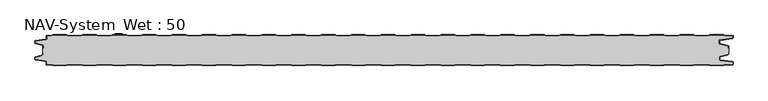
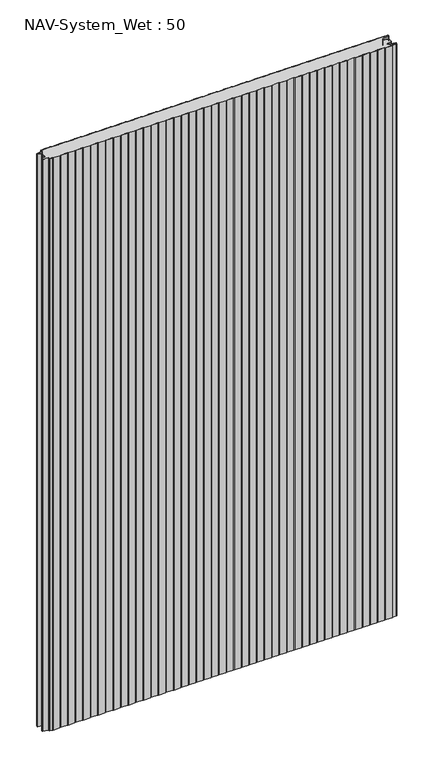
"""IFC4 building model written with IfcOpenShell, lengths in millimetres: plate geometry, NAV-System_Wet : 50."""

from ifc_helpers import new_model, si_unit, point, frame_2d, origin, origin_with_axes, place, context, project, spatial, polyline, circle_curve, trimmed, segment, composite_curve, outline, extrude, source, transform, mapped, element, save


def nav_system_wet_50_2e73ed36(model_context):
    return source(origin(), model_context, "Body", "SweptSolid", [
        extrude(outline(composite_curve([segment(polyline([(430.3684327, -0.8), (427.3684327, 0.2), (405.3684327, 0.2), (402.3684327, -0.8), (380.3684327, -0.8), (377.3684327, 0.2), (355.3684327, 0.2), (352.3684327, -0.8), (330.3684327, -0.8), (327.3684327, 0.2), (305.3684327, 0.2), (302.3684327, -0.8), (280.3684327, -0.8), (277.3684327, 0.2), (255.3684327, 0.2), (252.3684327, -0.8), (230.3684327, -0.8), (227.3684327, 0.2), (205.3684327, 0.2), (202.3684327, -0.8), (180.3684327, -0.8), (177.3684327, 0.2), (155.3684327, 0.2), (152.3684327, -0.8), (130.3684327, -0.8), (127.3684327, 0.2), (105.3684327, 0.2), (102.3684327, -0.8), (80.3684327, -0.8), (77.3684327, 0.2), (55.3684327, 0.2), (52.3684327, -0.8), (30.3684327, -0.8), (27.3684327, 0.2), (5.3684327, 0.2), (2.3684327, -0.8), (-19.6315673, -0.8), (-22.6315673, 0.2), (-44.6315673, 0.2), (-47.6315673, -0.8), (-69.6315673, -0.8), (-72.6315673, 0.2), (-94.6315673, 0.2), (-97.6315673, -0.8), (-119.6315673, -0.8), (-122.6315673, 0.2), (-144.6315673, 0.2), (-147.6315673, -0.8), (-169.6315673, -0.8), (-172.6315673, 0.2), (-194.6315673, 0.2), (-197.6315673, -0.8), (-219.6315673, -0.8), (-222.6315673, 0.2), (-244.6315673, 0.2), (-247.6315673, -0.8), (-269.6315673, -0.8), (-272.6315673, 0.2), (-294.6315673, 0.2), (-297.6315673, -0.8), (-319.6315673, -0.8), (-322.6315673, 0.2), (-344.6315673, 0.2), (-347.6315673, -0.8), (-369.6315673, -0.8), (-372.6315673, 0.2), (-394.6315673, 0.2), (-397.6315673, -0.8), (-419.6315673, -0.8), (-422.6315673, 0.2), (-444.6315673, 0.2), (-447.6315673, -0.8), (-469.6315673, -0.8), (-472.6315673, 0.2), (-494.6315673, 0.2), (-497.6315673, -0.8), (-519.6315673, -0.8), (-522.6315673, 0.2), (-544.6315673, 0.2), (-547.6315673, -0.8), (-554.7, -0.8)]), True, "CONTINUOUS"), segment(trimmed(circle_curve(frame_2d((-554.7, -1.3)), 0.5), [point((-554.7, -0.8))], [point((-555.2, -1.3))], True, "CARTESIAN"), True, "CONTINUOUS"), segment(polyline([(-555.2, -1.3), (-555.2, -5.3964683)]), True, "CONTINUOUS"), segment(trimmed(circle_curve(frame_2d((-556.7, -5.3964683)), 1.5), [point((-555.2, -5.3964683))], [point((-556.4911207, -6.8818536))], False, "CARTESIAN"), True, "CONTINUOUS"), segment(polyline([(-556.4911207, -6.8818536), (-573.4352183, -9.2645825)]), True, "CONTINUOUS"), segment(trimmed(circle_curve(frame_2d((-573.3114909, -10.1444347)), 0.8885091), [point((-573.4352183, -9.2645825))], [point((-574.2, -10.1444347))], True, "CARTESIAN"), True, "CONTINUOUS"), segment(polyline([(-574.2, -10.1444347), (-574.2, -12.46995)]), True, "CONTINUOUS"), segment(trimmed(circle_curve(frame_2d((-573.6, -12.46995)), 0.6), [point((-574.2, -12.46995))], [point((-573.7552914, -13.0495055))], True, "CARTESIAN"), True, "CONTINUOUS"), segment(polyline([(-573.7552914, -13.0495055), (-562.3785632, -16.0978907)]), True, "CONTINUOUS"), segment(trimmed(circle_curve(frame_2d((-562.7667917, -17.5467794)), 1.5), [point((-562.3785632, -16.0978907))], [point((-561.2667917, -17.5467794))], False, "CARTESIAN"), True, "CONTINUOUS"), segment(polyline([(-561.2667917, -17.5467794), (-561.2667917, -21.0096505), (-562.0667917, -21.0096505), (-562.0667917, -17.5467794)]), True, "CONTINUOUS"), segment(trimmed(circle_curve(frame_2d((-562.7667917, -17.5467794)), 0.7), [point((-562.0667917, -17.5467794))], [point((-562.5856184, -16.8706313))], True, "CARTESIAN"), True, "CONTINUOUS"), segment(polyline([(-562.5856184, -16.8706313), (-574.0364648, -13.8023863)]), True, "CONTINUOUS"), segment(trimmed(circle_curve(frame_2d((-573.7, -12.5466827)), 1.3), [point((-574.0364648, -13.8023863))], [point((-575.0, -12.5466827))], False, "CARTESIAN"), True, "CONTINUOUS"), segment(polyline([(-575.0, -12.5466827), (-575.0, -9.8067363)]), True, "CONTINUOUS"), segment(trimmed(circle_curve(frame_2d((-573.7, -9.8067363)), 1.3), [point((-575.0, -9.8067363))], [point((-573.8810287, -8.5194024))], False, "CARTESIAN"), True, "CONTINUOUS"), segment(polyline([(-573.8810287, -8.5194024), (-556.602523, -6.0896481)]), True, "CONTINUOUS"), segment(trimmed(circle_curve(frame_2d((-556.7, -5.3964683)), 0.7), [point((-556.602523, -6.0896481))], [point((-556.0, -5.3964683))], True, "CARTESIAN"), True, "CONTINUOUS"), segment(polyline([(-556.0, -5.3964683), (-556.0, -1.3)]), True, "CONTINUOUS"), segment(trimmed(circle_curve(frame_2d((-554.7, -1.3)), 1.3), [point((-556.0, -1.3))], [point((-554.7, 0.0))], False, "CARTESIAN"), True, "CONTINUOUS"), segment(polyline([(-554.7, 0.0), (-547.7613895, 0.0), (-544.7613895, 1.0), (-522.5017452, 1.0), (-519.5017452, 0.0), (-497.7613895, 0.0), (-494.7613895, 1.0), (-472.5017452, 1.0), (-469.5017452, 0.0), (-447.7613895, 0.0), (-444.7613895, 1.0), (-422.5017452, 1.0), (-419.5017452, 0.0), (-397.7613895, 0.0), (-394.7613895, 1.0), (-372.5017452, 1.0), (-369.5017452, 0.0), (-347.7613895, 0.0), (-344.7613895, 1.0), (-322.5017452, 1.0), (-319.5017452, 0.0), (-297.7613895, 0.0), (-294.7613895, 1.0), (-272.5017452, 1.0), (-269.5017452, 0.0), (-247.7613895, 0.0), (-244.7613895, 1.0), (-222.5017452, 1.0), (-219.5017452, 0.0), (-197.7613895, 0.0), (-194.7613895, 1.0), (-172.5017452, 1.0), (-169.5017452, 0.0), (-147.7613895, 0.0), (-144.7613895, 1.0), (-122.5017452, 1.0), (-119.5017452, 0.0), (-97.7613895, 0.0), (-94.7613895, 1.0), (-72.5017452, 1.0), (-69.5017452, 0.0), (-47.7613895, 0.0), (-44.7613895, 1.0), (-22.5017452, 1.0), (-19.5017452, 0.0), (2.2386105, 0.0), (5.2386105, 1.0), (27.4982548, 1.0), (30.4982548, 0.0), (52.2386105, 0.0), (55.2386105, 1.0), (77.4982548, 1.0), (80.4982548, 0.0), (102.2386105, 0.0), (105.2386105, 1.0), (127.4982548, 1.0), (130.4982548, 0.0), (152.2386105, 0.0), (155.2386105, 1.0), (177.4982548, 1.0), (180.4982548, 0.0), (202.2386105, 0.0), (205.2386105, 1.0), (227.4982548, 1.0), (230.4982548, 0.0), (252.2386105, 0.0), (255.2386105, 1.0), (277.4982548, 1.0), (280.4982548, 0.0), (302.2386105, 0.0), (305.2386105, 1.0), (327.4982548, 1.0), (330.4982548, 0.0), (352.2386105, 0.0), (355.2386105, 1.0), (377.4982548, 1.0), (380.4982548, 0.0), (402.2386105, 0.0), (405.2386105, 1.0), (427.4982548, 1.0), (430.4982548, 0.0), (452.2386105, 0.0), (455.2386105, 1.0), (477.4982548, 1.0), (480.4982548, 0.0), (502.2386105, 0.0), (505.2386105, 1.0), (527.4982548, 1.0), (530.4982548, 0.0), (552.2386105, 0.0), (555.2386105, 1.0), (577.4982548, 1.0), (580.4982548, 0.0), (592.7, 0.0)]), True, "CONTINUOUS"), segment(trimmed(circle_curve(frame_2d((592.7, -1.3)), 1.3), [point((592.7, 0.0))], [point((594.0, -1.3))], False, "CARTESIAN"), True, "CONTINUOUS"), segment(polyline([(594.0, -1.3), (594.0, -4.3700191)]), True, "CONTINUOUS"), segment(trimmed(circle_curve(frame_2d((592.7, -4.3700191)), 1.3), [point((594.0, -4.3700191))], [point((592.8810287, -5.657353))], False, "CARTESIAN"), True, "CONTINUOUS"), segment(polyline([(592.8810287, -5.657353), (572.102523, -8.5792877)]), True, "CONTINUOUS"), segment(trimmed(circle_curve(frame_2d((572.2, -9.2724675)), 0.7), [point((572.102523, -8.5792877))], [point((571.5, -9.2724675))], True, "CARTESIAN"), True, "CONTINUOUS"), segment(polyline([(571.5, -9.2724675), (571.5, -13.0812756)]), True, "CONTINUOUS"), segment(trimmed(circle_curve(frame_2d((572.2, -13.0812756)), 0.7), [point((571.5, -13.0812756))], [point((572.0188267, -13.7574237))], True, "CARTESIAN"), True, "CONTINUOUS"), segment(polyline([(572.0188267, -13.7574237), (585.4205101, -17.3483939)]), True, "CONTINUOUS"), segment(trimmed(circle_curve(frame_2d((585.0840453, -18.6040975)), 1.3), [point((585.4205101, -17.3483939))], [point((586.3840453, -18.6040975))], False, "CARTESIAN"), True, "CONTINUOUS"), segment(polyline([(586.3840453, -18.6040975), (586.3840453, -21.0096505), (585.5840453, -21.0096505), (585.5840453, -18.6808302)]), True, "CONTINUOUS"), segment(trimmed(circle_curve(frame_2d((584.9840453, -18.6808302)), 0.6), [point((585.5840453, -18.6808302))], [point((585.1393367, -18.1012747))], True, "CARTESIAN"), True, "CONTINUOUS"), segment(polyline([(585.1393367, -18.1012747), (571.8117714, -14.5301644)]), True, "CONTINUOUS"), segment(trimmed(circle_curve(frame_2d((572.2, -13.0812756)), 1.5), [point((571.8117714, -14.5301644))], [point((570.7, -13.0812756))], False, "CARTESIAN"), True, "CONTINUOUS"), segment(polyline([(570.7, -13.0812756), (570.7, -9.2724675)]), True, "CONTINUOUS"), segment(trimmed(circle_curve(frame_2d((572.2, -9.2724675)), 1.5), [point((570.7, -9.2724675))], [point((571.9911207, -7.7870822))], False, "CARTESIAN"), True, "CONTINUOUS"), segment(polyline([(571.9911207, -7.7870822), (592.6835517, -4.8772516)]), True, "CONTINUOUS"), segment(trimmed(circle_curve(frame_2d((592.6, -4.2830975)), 0.6), [point((592.6835517, -4.8772516))], [point((593.2, -4.2830975))], True, "CARTESIAN"), True, "CONTINUOUS"), segment(polyline([(593.2, -4.2830975), (593.2, -1.3)]), True, "CONTINUOUS"), segment(trimmed(circle_curve(frame_2d((592.7, -1.3)), 0.5), [point((593.2, -1.3))], [point((592.7, -0.8))], True, "CARTESIAN"), True, "CONTINUOUS"), segment(polyline([(592.7, -0.8), (580.3684327, -0.8), (577.3684327, 0.2), (555.3684327, 0.2), (552.3684327, -0.8), (530.3684327, -0.8), (527.3684327, 0.2), (505.3684327, 0.2), (502.3684327, -0.8), (480.3684327, -0.8), (477.3684327, 0.2), (455.3684327, 0.2), (452.3684327, -0.8), (430.3684327, -0.8)]), True, "CONTINUOUS")], self_intersect=False)), origin_with_axes(), (0.0, 0.0, 1.0), 2000.0),
        extrude(outline(composite_curve([segment(polyline([(430.3684327, -0.8), (452.3684327, -0.8), (455.3684327, 0.2), (477.3684327, 0.2), (480.3684327, -0.8), (502.3684327, -0.8), (505.3684327, 0.2), (527.3684327, 0.2), (530.3684327, -0.8), (552.3684327, -0.8), (555.3684327, 0.2), (577.3684327, 0.2), (580.3684327, -0.8), (592.7, -0.8)]), True, "CONTINUOUS"), segment(trimmed(circle_curve(frame_2d((592.7, -1.3)), 0.5), [point((592.7, -0.8))], [point((593.2, -1.3))], False, "CARTESIAN"), True, "CONTINUOUS"), segment(polyline([(593.2, -1.3), (593.2, -4.2830975)]), True, "CONTINUOUS"), segment(trimmed(circle_curve(frame_2d((592.6, -4.2830975)), 0.6), [point((593.2, -4.2830975))], [point((592.6835517, -4.8772516))], False, "CARTESIAN"), True, "CONTINUOUS"), segment(polyline([(592.6835517, -4.8772516), (571.9911207, -7.7870822)]), True, "CONTINUOUS"), segment(trimmed(circle_curve(frame_2d((572.2, -9.2724675)), 1.5), [point((571.9911207, -7.7870822))], [point((570.7, -9.2724675))], True, "CARTESIAN"), True, "CONTINUOUS"), segment(polyline([(570.7, -9.2724675), (570.7, -13.0812756)]), True, "CONTINUOUS"), segment(trimmed(circle_curve(frame_2d((572.2, -13.0812756)), 1.5), [point((570.7, -13.0812756))], [point((571.8117714, -14.5301644))], True, "CARTESIAN"), True, "CONTINUOUS"), segment(polyline([(571.8117714, -14.5301644), (585.1393367, -18.1012747)]), True, "CONTINUOUS"), segment(trimmed(circle_curve(frame_2d((584.9840453, -18.6808302)), 0.6), [point((585.1393367, -18.1012747))], [point((585.5840453, -18.6808302))], False, "CARTESIAN"), True, "CONTINUOUS"), segment(polyline([(585.5840453, -18.6808302), (585.5840453, -21.0096505), (586.3840453, -21.0096505), (586.3840453, -28.9903495), (585.5840453, -28.9903495), (585.5840453, -31.3191698)]), True, "CONTINUOUS"), segment(trimmed(circle_curve(frame_2d((584.9840453, -31.3191698)), 0.6), [point((585.5840453, -31.3191698))], [point((585.1393367, -31.8987253))], False, "CARTESIAN"), True, "CONTINUOUS"), segment(polyline([(585.1393367, -31.8987253), (571.8117714, -35.4698356)]), True, "CONTINUOUS"), segment(trimmed(circle_curve(frame_2d((572.2, -36.9187244)), 1.5), [point((571.8117714, -35.4698356))], [point((570.7, -36.9187244))], True, "CARTESIAN"), True, "CONTINUOUS"), segment(polyline([(570.7, -36.9187244), (570.7, -40.7275325)]), True, "CONTINUOUS"), segment(trimmed(circle_curve(frame_2d((572.2, -40.7275325)), 1.5), [point((570.7, -40.7275325))], [point((571.9911207, -42.2129178))], True, "CARTESIAN"), True, "CONTINUOUS"), segment(polyline([(571.9911207, -42.2129178), (592.6835517, -45.1227484)]), True, "CONTINUOUS"), segment(trimmed(circle_curve(frame_2d((592.6, -45.7169025)), 0.6), [point((592.6835517, -45.1227484))], [point((593.2, -45.7169025))], False, "CARTESIAN"), True, "CONTINUOUS"), segment(polyline([(593.2, -45.7169025), (593.2, -48.7)]), True, "CONTINUOUS"), segment(trimmed(circle_curve(frame_2d((592.7, -48.7)), 0.5), [point((593.2, -48.7))], [point((592.7, -49.2))], False, "CARTESIAN"), True, "CONTINUOUS"), segment(polyline([(592.7, -49.2), (580.3684327, -49.2), (577.3684327, -50.2), (555.3684327, -50.2), (552.3684327, -49.2), (530.3684327, -49.2), (527.3684327, -50.2), (505.3684327, -50.2), (502.3684327, -49.2), (480.3684327, -49.2), (477.3684327, -50.2), (455.3684327, -50.2), (452.3684327, -49.2), (430.3684327, -49.2), (427.3684327, -50.2), (405.3684327, -50.2), (402.3684327, -49.2), (380.3684327, -49.2), (377.3684327, -50.2), (355.3684327, -50.2), (352.3684327, -49.2), (330.3684327, -49.2), (327.3684327, -50.2), (305.3684327, -50.2), (302.3684327, -49.2), (280.3684327, -49.2), (277.3684327, -50.2), (255.3684327, -50.2), (252.3684327, -49.2), (230.3684327, -49.2), (227.3684327, -50.2), (205.3684327, -50.2), (202.3684327, -49.2), (180.3684327, -49.2), (177.3684327, -50.2), (155.3684327, -50.2), (152.3684327, -49.2), (130.3684327, -49.2), (127.3684327, -50.2), (105.3684327, -50.2), (102.3684327, -49.2), (80.3684327, -49.2), (77.3684327, -50.2), (55.3684327, -50.2), (52.3684327, -49.2), (30.3684327, -49.2), (27.3684327, -50.2), (5.3684327, -50.2), (2.3684327, -49.2), (-19.6315673, -49.2), (-22.6315673, -50.2), (-44.6315673, -50.2), (-47.6315673, -49.2), (-69.6315673, -49.2), (-72.6315673, -50.2), (-94.6315673, -50.2), (-97.6315673, -49.2), (-119.6315673, -49.2), (-122.6315673, -50.2), (-144.6315673, -50.2), (-147.6315673, -49.2), (-169.6315673, -49.2), (-172.6315673, -50.2), (-194.6315673, -50.2), (-197.6315673, -49.2), (-219.6315673, -49.2), (-222.6315673, -50.2), (-244.6315673, -50.2), (-247.6315673, -49.2), (-269.6315673, -49.2), (-272.6315673, -50.2), (-294.6315673, -50.2), (-297.6315673, -49.2), (-319.6315673, -49.2), (-322.6315673, -50.2), (-344.6315673, -50.2), (-347.6315673, -49.2), (-369.6315673, -49.2), (-372.6315673, -50.2), (-394.6315673, -50.2), (-397.6315673, -49.2), (-419.6315673, -49.2), (-422.6315673, -50.2), (-444.6315673, -50.2), (-447.6315673, -49.2), (-469.6315673, -49.2), (-472.6315673, -50.2), (-494.6315673, -50.2), (-497.6315673, -49.2), (-519.6315673, -49.2), (-522.6315673, -50.2), (-544.6315673, -50.2), (-547.6315673, -49.2), (-554.7, -49.2)]), True, "CONTINUOUS"), segment(trimmed(circle_curve(frame_2d((-554.7, -48.7)), 0.5), [point((-554.7, -49.2))], [point((-555.2, -48.7))], False, "CARTESIAN"), True, "CONTINUOUS"), segment(polyline([(-555.2, -48.7), (-555.2, -44.6035317)]), True, "CONTINUOUS"), segment(trimmed(circle_curve(frame_2d((-556.7, -44.6035317)), 1.5), [point((-555.2, -44.6035317))], [point((-556.4911207, -43.1181464))], True, "CARTESIAN"), True, "CONTINUOUS"), segment(polyline([(-556.4911207, -43.1181464), (-573.4352183, -40.7354175)]), True, "CONTINUOUS"), segment(trimmed(circle_curve(frame_2d((-573.3114909, -39.8555653)), 0.8885091), [point((-573.4352183, -40.7354175))], [point((-574.2, -39.8555653))], False, "CARTESIAN"), True, "CONTINUOUS"), segment(polyline([(-574.2, -39.8555653), (-574.2, -37.53005)]), True, "CONTINUOUS"), segment(trimmed(circle_curve(frame_2d((-573.6, -37.53005)), 0.6), [point((-574.2, -37.53005))], [point((-573.7552914, -36.9504945))], False, "CARTESIAN"), True, "CONTINUOUS"), segment(polyline([(-573.7552914, -36.9504945), (-562.3785632, -33.9021093)]), True, "CONTINUOUS"), segment(trimmed(circle_curve(frame_2d((-562.7667917, -32.4532206)), 1.5), [point((-562.3785632, -33.9021093))], [point((-561.2667917, -32.4532206))], True, "CARTESIAN"), True, "CONTINUOUS"), segment(polyline([(-561.2667917, -32.4532206), (-561.2667917, -28.9903495), (-562.0667917, -28.9903495), (-562.0667917, -21.0096505), (-561.2667917, -21.0096505), (-561.2667917, -17.5467794)]), True, "CONTINUOUS"), segment(trimmed(circle_curve(frame_2d((-562.7667917, -17.5467794)), 1.5), [point((-561.2667917, -17.5467794))], [point((-562.3785632, -16.0978907))], True, "CARTESIAN"), True, "CONTINUOUS"), segment(polyline([(-562.3785632, -16.0978907), (-573.7552914, -13.0495055)]), True, "CONTINUOUS"), segment(trimmed(circle_curve(frame_2d((-573.6, -12.46995)), 0.6), [point((-573.7552914, -13.0495055))], [point((-574.2, -12.46995))], False, "CARTESIAN"), True, "CONTINUOUS"), segment(polyline([(-574.2, -12.46995), (-574.2, -10.1444347)]), True, "CONTINUOUS"), segment(trimmed(circle_curve(frame_2d((-573.3114909, -10.1444347)), 0.8885091), [point((-574.2, -10.1444347))], [point((-573.4352183, -9.2645825))], False, "CARTESIAN"), True, "CONTINUOUS"), segment(polyline([(-573.4352183, -9.2645825), (-556.4911207, -6.8818536)]), True, "CONTINUOUS"), segment(trimmed(circle_curve(frame_2d((-556.7, -5.3964683)), 1.5), [point((-556.4911207, -6.8818536))], [point((-555.2, -5.3964683))], True, "CARTESIAN"), True, "CONTINUOUS"), segment(polyline([(-555.2, -5.3964683), (-555.2, -1.3)]), True, "CONTINUOUS"), segment(trimmed(circle_curve(frame_2d((-554.7, -1.3)), 0.5), [point((-555.2, -1.3))], [point((-554.7, -0.8))], False, "CARTESIAN"), True, "CONTINUOUS"), segment(polyline([(-554.7, -0.8), (-547.6315673, -0.8), (-544.6315673, 0.2), (-522.6315673, 0.2), (-519.6315673, -0.8), (-497.6315673, -0.8), (-494.6315673, 0.2), (-472.6315673, 0.2), (-469.6315673, -0.8), (-447.6315673, -0.8), (-444.6315673, 0.2), (-422.6315673, 0.2), (-419.6315673, -0.8), (-397.6315673, -0.8), (-394.6315673, 0.2), (-372.6315673, 0.2), (-369.6315673, -0.8), (-347.6315673, -0.8), (-344.6315673, 0.2), (-322.6315673, 0.2), (-319.6315673, -0.8), (-297.6315673, -0.8), (-294.6315673, 0.2), (-272.6315673, 0.2), (-269.6315673, -0.8), (-247.6315673, -0.8), (-244.6315673, 0.2), (-222.6315673, 0.2), (-219.6315673, -0.8), (-197.6315673, -0.8), (-194.6315673, 0.2), (-172.6315673, 0.2), (-169.6315673, -0.8), (-147.6315673, -0.8), (-144.6315673, 0.2), (-122.6315673, 0.2), (-119.6315673, -0.8), (-97.6315673, -0.8), (-94.6315673, 0.2), (-72.6315673, 0.2), (-69.6315673, -0.8), (-47.6315673, -0.8), (-44.6315673, 0.2), (-22.6315673, 0.2), (-19.6315673, -0.8), (2.3684327, -0.8), (5.3684327, 0.2), (27.3684327, 0.2), (30.3684327, -0.8), (52.3684327, -0.8), (55.3684327, 0.2), (77.3684327, 0.2), (80.3684327, -0.8), (102.3684327, -0.8), (105.3684327, 0.2), (127.3684327, 0.2), (130.3684327, -0.8), (152.3684327, -0.8), (155.3684327, 0.2), (177.3684327, 0.2), (180.3684327, -0.8), (202.3684327, -0.8), (205.3684327, 0.2), (227.3684327, 0.2), (230.3684327, -0.8), (252.3684327, -0.8), (255.3684327, 0.2), (277.3684327, 0.2), (280.3684327, -0.8), (302.3684327, -0.8), (305.3684327, 0.2), (327.3684327, 0.2), (330.3684327, -0.8), (352.3684327, -0.8), (355.3684327, 0.2), (377.3684327, 0.2), (380.3684327, -0.8), (402.3684327, -0.8), (405.3684327, 0.2), (427.3684327, 0.2), (430.3684327, -0.8)]), True, "CONTINUOUS")], self_intersect=False)), origin_with_axes(), (0.0, 0.0, 1.0), 2000.0),
        extrude(outline(composite_curve([segment(polyline([(430.3684327, -49.2), (452.3684327, -49.2), (455.3684327, -50.2), (477.3684327, -50.2), (480.3684327, -49.2), (502.3684327, -49.2), (505.3684327, -50.2), (527.3684327, -50.2), (530.3684327, -49.2), (552.3684327, -49.2), (555.3684327, -50.2), (577.3684327, -50.2), (580.3684327, -49.2), (592.7, -49.2)]), True, "CONTINUOUS"), segment(trimmed(circle_curve(frame_2d((592.7, -48.7)), 0.5), [point((592.7, -49.2))], [point((593.2, -48.7))], True, "CARTESIAN"), True, "CONTINUOUS"), segment(polyline([(593.2, -48.7), (593.2, -45.7169025)]), True, "CONTINUOUS"), segment(trimmed(circle_curve(frame_2d((592.6, -45.7169025)), 0.6), [point((593.2, -45.7169025))], [point((592.6835517, -45.1227484))], True, "CARTESIAN"), True, "CONTINUOUS"), segment(polyline([(592.6835517, -45.1227484), (571.9911207, -42.2129178)]), True, "CONTINUOUS"), segment(trimmed(circle_curve(frame_2d((572.2, -40.7275325)), 1.5), [point((571.9911207, -42.2129178))], [point((570.7, -40.7275325))], False, "CARTESIAN"), True, "CONTINUOUS"), segment(polyline([(570.7, -40.7275325), (570.7, -36.9187244)]), True, "CONTINUOUS"), segment(trimmed(circle_curve(frame_2d((572.2, -36.9187244)), 1.5), [point((570.7, -36.9187244))], [point((571.8117714, -35.4698356))], False, "CARTESIAN"), True, "CONTINUOUS"), segment(polyline([(571.8117714, -35.4698356), (585.1393367, -31.8987253)]), True, "CONTINUOUS"), segment(trimmed(circle_curve(frame_2d((584.9840453, -31.3191698)), 0.6), [point((585.1393367, -31.8987253))], [point((585.5840453, -31.3191698))], True, "CARTESIAN"), True, "CONTINUOUS"), segment(polyline([(585.5840453, -31.3191698), (585.5840453, -28.9903495), (586.3840453, -28.9903495), (586.3840453, -31.3959025)]), True, "CONTINUOUS"), segment(trimmed(circle_curve(frame_2d((585.0840453, -31.3959025)), 1.3), [point((586.3840453, -31.3959025))], [point((585.4205101, -32.6516061))], False, "CARTESIAN"), True, "CONTINUOUS"), segment(polyline([(585.4205101, -32.6516061), (572.0188267, -36.2425763)]), True, "CONTINUOUS"), segment(trimmed(circle_curve(frame_2d((572.2, -36.9187244)), 0.7), [point((572.0188267, -36.2425763))], [point((571.5, -36.9187244))], True, "CARTESIAN"), True, "CONTINUOUS"), segment(polyline([(571.5, -36.9187244), (571.5, -40.7275325)]), True, "CONTINUOUS"), segment(trimmed(circle_curve(frame_2d((572.2, -40.7275325)), 0.7), [point((571.5, -40.7275325))], [point((572.102523, -41.4207123))], True, "CARTESIAN"), True, "CONTINUOUS"), segment(polyline([(572.102523, -41.4207123), (592.8810287, -44.342647)]), True, "CONTINUOUS"), segment(trimmed(circle_curve(frame_2d((592.7, -45.6299809)), 1.3), [point((592.8810287, -44.342647))], [point((594.0, -45.6299809))], False, "CARTESIAN"), True, "CONTINUOUS"), segment(polyline([(594.0, -45.6299809), (594.0, -48.7)]), True, "CONTINUOUS"), segment(trimmed(circle_curve(frame_2d((592.7, -48.7)), 1.3), [point((594.0, -48.7))], [point((592.7, -50.0))], False, "CARTESIAN"), True, "CONTINUOUS"), segment(polyline([(592.7, -50.0), (580.4982548, -50.0), (577.4982548, -51.0), (555.2386105, -51.0), (552.2386105, -50.0), (530.4982548, -50.0), (527.4982548, -51.0), (505.2386105, -51.0), (502.2386105, -50.0), (480.4982548, -50.0), (477.4982548, -51.0), (455.2386105, -51.0), (452.2386105, -50.0), (430.4982548, -50.0), (427.4982548, -51.0), (405.2386105, -51.0), (402.2386105, -50.0), (380.4982548, -50.0), (377.4982548, -51.0), (355.2386105, -51.0), (352.2386105, -50.0), (330.4982548, -50.0), (327.4982548, -51.0), (305.2386105, -51.0), (302.2386105, -50.0), (280.4982548, -50.0), (277.4982548, -51.0), (255.2386105, -51.0), (252.2386105, -50.0), (230.4982548, -50.0), (227.4982548, -51.0), (205.2386105, -51.0), (202.2386105, -50.0), (180.4982548, -50.0), (177.4982548, -51.0), (155.2386105, -51.0), (152.2386105, -50.0), (130.4982548, -50.0), (127.4982548, -51.0), (105.2386105, -51.0), (102.2386105, -50.0), (80.4982548, -50.0), (77.4982548, -51.0), (55.2386105, -51.0), (52.2386105, -50.0), (30.4982548, -50.0), (27.4982548, -51.0), (5.2386105, -51.0), (2.2386105, -50.0), (-19.5017452, -50.0), (-22.5017452, -51.0), (-44.7613895, -51.0), (-47.7613895, -50.0), (-69.5017452, -50.0), (-72.5017452, -51.0), (-94.7613895, -51.0), (-97.7613895, -50.0), (-119.5017452, -50.0), (-122.5017452, -51.0), (-144.7613895, -51.0), (-147.7613895, -50.0), (-169.5017452, -50.0), (-172.5017452, -51.0), (-194.7613895, -51.0), (-197.7613895, -50.0), (-219.5017452, -50.0), (-222.5017452, -51.0), (-244.7613895, -51.0), (-247.7613895, -50.0), (-269.5017452, -50.0), (-272.5017452, -51.0), (-294.7613895, -51.0), (-297.7613895, -50.0), (-319.5017452, -50.0), (-322.5017452, -51.0), (-344.7613895, -51.0), (-347.7613895, -50.0), (-369.5017452, -50.0), (-372.5017452, -51.0), (-394.7613895, -51.0), (-397.7613895, -50.0), (-419.5017452, -50.0), (-422.5017452, -51.0), (-444.7613895, -51.0), (-447.7613895, -50.0), (-469.5017452, -50.0), (-472.5017452, -51.0), (-494.7613895, -51.0), (-497.7613895, -50.0), (-519.5017452, -50.0), (-522.5017452, -51.0), (-544.7613895, -51.0), (-547.7613895, -50.0), (-554.7, -50.0)]), True, "CONTINUOUS"), segment(trimmed(circle_curve(frame_2d((-554.7, -48.7)), 1.3), [point((-554.7, -50.0))], [point((-556.0, -48.7))], False, "CARTESIAN"), True, "CONTINUOUS"), segment(polyline([(-556.0, -48.7), (-556.0, -44.6035317)]), True, "CONTINUOUS"), segment(trimmed(circle_curve(frame_2d((-556.7, -44.6035317)), 0.7), [point((-556.0, -44.6035317))], [point((-556.602523, -43.9103519))], True, "CARTESIAN"), True, "CONTINUOUS"), segment(polyline([(-556.602523, -43.9103519), (-573.8810287, -41.4805976)]), True, "CONTINUOUS"), segment(trimmed(circle_curve(frame_2d((-573.7, -40.1932637)), 1.3), [point((-573.8810287, -41.4805976))], [point((-575.0, -40.1932637))], False, "CARTESIAN"), True, "CONTINUOUS"), segment(polyline([(-575.0, -40.1932637), (-575.0, -37.4533173)]), True, "CONTINUOUS"), segment(trimmed(circle_curve(frame_2d((-573.7, -37.4533173)), 1.3), [point((-575.0, -37.4533173))], [point((-574.0364648, -36.1976137))], False, "CARTESIAN"), True, "CONTINUOUS"), segment(polyline([(-574.0364648, -36.1976137), (-562.5856184, -33.1293687)]), True, "CONTINUOUS"), segment(trimmed(circle_curve(frame_2d((-562.7667917, -32.4532206)), 0.7), [point((-562.5856184, -33.1293687))], [point((-562.0667917, -32.4532206))], True, "CARTESIAN"), True, "CONTINUOUS"), segment(polyline([(-562.0667917, -32.4532206), (-562.0667917, -28.9903495), (-561.2667917, -28.9903495), (-561.2667917, -32.4532206)]), True, "CONTINUOUS"), segment(trimmed(circle_curve(frame_2d((-562.7667917, -32.4532206)), 1.5), [point((-561.2667917, -32.4532206))], [point((-562.3785632, -33.9021093))], False, "CARTESIAN"), True, "CONTINUOUS"), segment(polyline([(-562.3785632, -33.9021093), (-573.7552914, -36.9504945)]), True, "CONTINUOUS"), segment(trimmed(circle_curve(frame_2d((-573.6, -37.53005)), 0.6), [point((-573.7552914, -36.9504945))], [point((-574.2, -37.53005))], True, "CARTESIAN"), True, "CONTINUOUS"), segment(polyline([(-574.2, -37.53005), (-574.2, -39.8555653)]), True, "CONTINUOUS"), segment(trimmed(circle_curve(frame_2d((-573.3114909, -39.8555653)), 0.8885091), [point((-574.2, -39.8555653))], [point((-573.4352183, -40.7354175))], True, "CARTESIAN"), True, "CONTINUOUS"), segment(polyline([(-573.4352183, -40.7354175), (-556.4911207, -43.1181464)]), True, "CONTINUOUS"), segment(trimmed(circle_curve(frame_2d((-556.7, -44.6035317)), 1.5), [point((-556.4911207, -43.1181464))], [point((-555.2, -44.6035317))], False, "CARTESIAN"), True, "CONTINUOUS"), segment(polyline([(-555.2, -44.6035317), (-555.2, -48.7)]), True, "CONTINUOUS"), segment(trimmed(circle_curve(frame_2d((-554.7, -48.7)), 0.5), [point((-555.2, -48.7))], [point((-554.7, -49.2))], True, "CARTESIAN"), True, "CONTINUOUS"), segment(polyline([(-554.7, -49.2), (-547.6315673, -49.2), (-544.6315673, -50.2), (-522.6315673, -50.2), (-519.6315673, -49.2), (-497.6315673, -49.2), (-494.6315673, -50.2), (-472.6315673, -50.2), (-469.6315673, -49.2), (-447.6315673, -49.2), (-444.6315673, -50.2), (-422.6315673, -50.2), (-419.6315673, -49.2), (-397.6315673, -49.2), (-394.6315673, -50.2), (-372.6315673, -50.2), (-369.6315673, -49.2), (-347.6315673, -49.2), (-344.6315673, -50.2), (-322.6315673, -50.2), (-319.6315673, -49.2), (-297.6315673, -49.2), (-294.6315673, -50.2), (-272.6315673, -50.2), (-269.6315673, -49.2), (-247.6315673, -49.2), (-244.6315673, -50.2), (-222.6315673, -50.2), (-219.6315673, -49.2), (-197.6315673, -49.2), (-194.6315673, -50.2), (-172.6315673, -50.2), (-169.6315673, -49.2), (-147.6315673, -49.2), (-144.6315673, -50.2), (-122.6315673, -50.2), (-119.6315673, -49.2), (-97.6315673, -49.2), (-94.6315673, -50.2), (-72.6315673, -50.2), (-69.6315673, -49.2), (-47.6315673, -49.2), (-44.6315673, -50.2), (-22.6315673, -50.2), (-19.6315673, -49.2), (2.3684327, -49.2), (5.3684327, -50.2), (27.3684327, -50.2), (30.3684327, -49.2), (52.3684327, -49.2), (55.3684327, -50.2), (77.3684327, -50.2), (80.3684327, -49.2), (102.3684327, -49.2), (105.3684327, -50.2), (127.3684327, -50.2), (130.3684327, -49.2), (152.3684327, -49.2), (155.3684327, -50.2), (177.3684327, -50.2), (180.3684327, -49.2), (202.3684327, -49.2), (205.3684327, -50.2), (227.3684327, -50.2), (230.3684327, -49.2), (252.3684327, -49.2), (255.3684327, -50.2), (277.3684327, -50.2), (280.3684327, -49.2), (302.3684327, -49.2), (305.3684327, -50.2), (327.3684327, -50.2), (330.3684327, -49.2), (352.3684327, -49.2), (355.3684327, -50.2), (377.3684327, -50.2), (380.3684327, -49.2), (402.3684327, -49.2), (405.3684327, -50.2), (427.3684327, -50.2), (430.3684327, -49.2)]), True, "CONTINUOUS")], self_intersect=False)), origin_with_axes(), (0.0, 0.0, 1.0), 2000.0),
    ])


if __name__ == "__main__":
    model = new_model("IFC4")
    model_context = context("Model", 3, world=origin())
    ifc_project = project(units=[si_unit("LENGTHUNIT", "METRE", prefix="MILLI")], contexts=[model_context])
    site = spatial("IfcSite", under=ifc_project)
    building = spatial("IfcBuilding", under=site)
    placement = place(None, origin())
    nav_system_wet_50_shape = nav_system_wet_50_2e73ed36(model_context)
    element("IfcPlate", 1, ObjectType="NAV-System_Wet : 50", at=placement, inside=building, context=model_context, shape_type="MappedRepresentation", body=[
        mapped(nav_system_wet_50_shape, transform((0.0, 0.0, 0.0), x_axis=(1.0, 0.0, 0.0), y_axis=(0.0, 1.0, 0.0), z_axis=(0.0, 0.0, 1.0))),
    ])
    save(model, "model.ifc")
